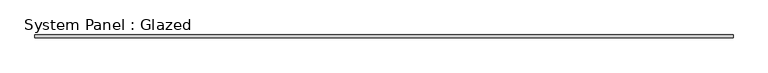
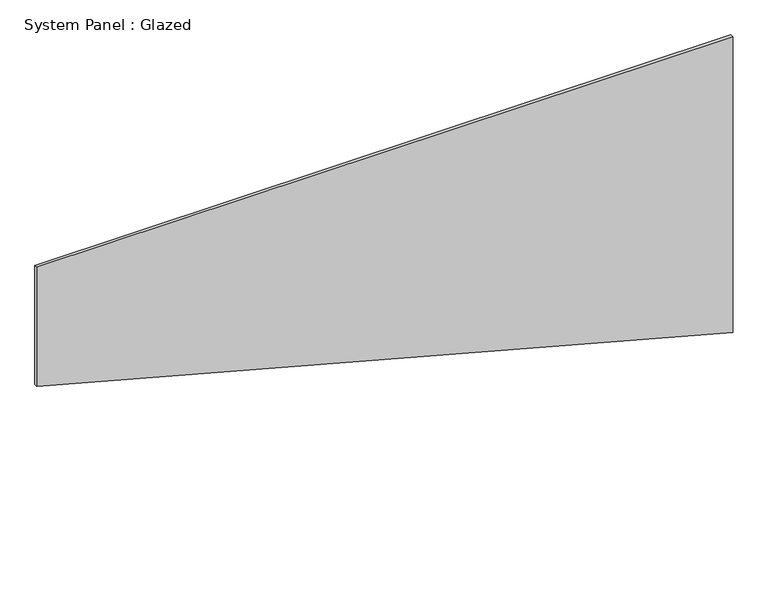
"""IFC4 building model written with IfcOpenShell, lengths in millimetres: plate geometry, System Panel : Glazed."""

from ifc_helpers import new_model, si_unit, frame, origin, place, context, project, spatial, polyline, outline, extrude, source, transform, mapped, element, save


def system_panel_glazed_ac6b42c3(model_context):
    return source(origin(), model_context, "Body", "SweptSolid", [
        extrude(outline(polyline([(1567.5027757, -2925.0), (0.0, 2925.0), (2628.1798582, 2925.0), (2628.1798582, -2925.0), (1567.5027757, -2925.0)])), frame((0.0, -2.5, 0.0), z_axis=(0.0, 1.0, 0.0), x_axis=(0.0, 0.0, 1.0)), (0.0, 0.0, 1.0), 25.0),
    ])


if __name__ == "__main__":
    model = new_model("IFC4")
    model_context = context("Model", 3, world=origin())
    ifc_project = project(units=[si_unit("LENGTHUNIT", "METRE", prefix="MILLI")], contexts=[model_context])
    site = spatial("IfcSite", under=ifc_project)
    building = spatial("IfcBuilding", under=site)
    placement = place(None, origin())
    system_panel_glazed_shape = system_panel_glazed_ac6b42c3(model_context)
    element("IfcPlate", 1, ObjectType="System Panel : Glazed", at=placement, inside=building, context=model_context, shape_type="MappedRepresentation", body=[
        mapped(system_panel_glazed_shape, transform((0.0, 0.0, 0.0), x_axis=(1.0, 0.0, 0.0), y_axis=(0.0, 1.0, 0.0), z_axis=(0.0, 0.0, 1.0))),
    ])
    save(model, "model.ifc")
